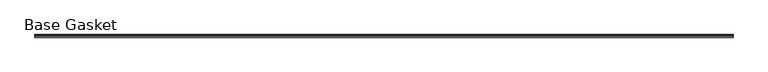
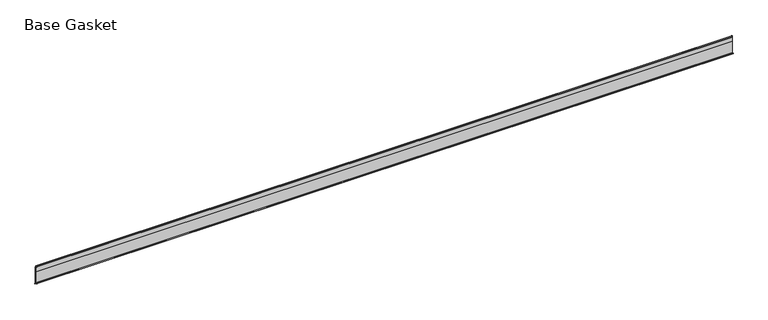
"""IFC4 building model written with IfcOpenShell, lengths in millimetres: furniture geometry, Base Gasket."""

from ifc_helpers import new_model, si_unit, frame, origin, place, context, project, spatial, polyline, outline, extrude, source, transform, mapped, element, save


def base_gasket_a25ef5a8(model_context):
    return source(origin(), model_context, "Body", "SweptSolid", [
        extrude(outline(polyline([(3.7283812, 98.4568417), (3.7283812, 4.3498477), (7.4222115, 0.6560174), (7.8482342, 0.0), (6.8281054, 0.3520979), (2.2043812, 4.3498477), (2.1334222, 6.3818476), (-6.2405171, 6.3818476), (-6.2405171, 7.9398773), (2.2043812, 7.9398773), (2.2043812, 71.4693447), (1.4106313, 71.4693447), (1.4106313, 96.8693477), (2.2043812, 96.8693477), (2.2043812, 98.4568417), (0.6755308, 104.4162708), (0.6755308, 105.2002997), (1.1891543, 104.587663), (3.7283812, 98.4568417)])), frame((-1527.8982117, 0.0, 0.0), z_axis=(1.0, 0.0, 0.0), x_axis=(0.0, 1.0, 0.0)), (0.0, 0.0, 1.0), 3765.5284682),
    ])


if __name__ == "__main__":
    model = new_model("IFC4")
    model_context = context("Model", 3, world=origin())
    ifc_project = project(units=[si_unit("LENGTHUNIT", "METRE", prefix="MILLI")], contexts=[model_context])
    site = spatial("IfcSite", under=ifc_project)
    building = spatial("IfcBuilding", under=site)
    placement = place(None, origin())
    base_gasket_shape = base_gasket_a25ef5a8(model_context)
    element("IfcFurniture", 1, ObjectType="Base Gasket", at=placement, inside=building, context=model_context, shape_type="MappedRepresentation", body=[
        mapped(base_gasket_shape, transform((0.0, 0.0, 0.0), x_axis=(1.0, 0.0, 0.0), y_axis=(0.0, 1.0, 0.0), z_axis=(0.0, 0.0, 1.0))),
    ])
    save(model, "model.ifc")
